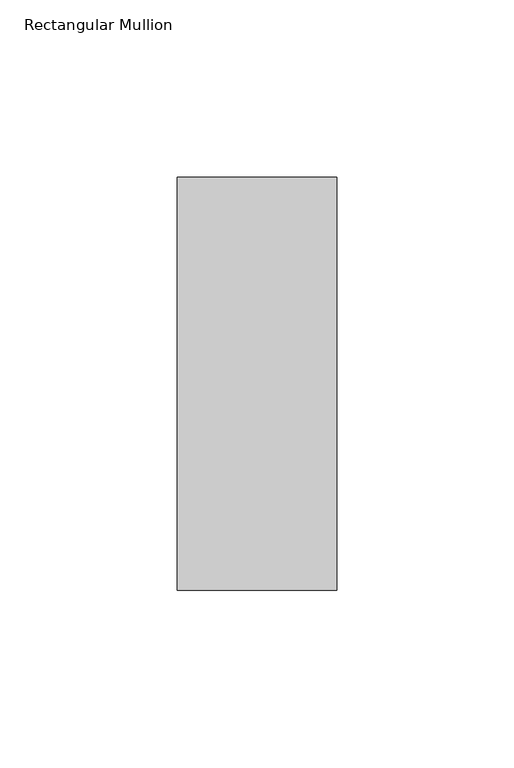
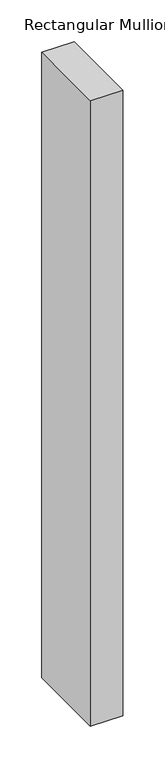
"""IFC4 building model written with IfcOpenShell, lengths in millimetres: member geometry, Rectangular Mullion."""

from ifc_helpers import new_model, si_unit, frame, origin, place, context, project, spatial, polyline, outline, extrude, source, transform, mapped, element, save


def rectangular_mullion_03e37738(model_context):
    return source(origin(), model_context, "Body", "SweptSolid", [
        extrude(outline(polyline([(-45.0453125, 73.875), (0.0, 73.875), (0.0, -42.8257813), (-45.0453125, -42.8257813), (-45.0453125, 73.875)])), frame((0.0, 0.0, -915.7171325), z_axis=(0.0, 0.0, 1.0), x_axis=(1.0, 0.0, 0.0)), (0.0, 0.0, 1.0), 915.7171325),
    ])


if __name__ == "__main__":
    model = new_model("IFC4")
    model_context = context("Model", 3, world=origin())
    ifc_project = project(units=[si_unit("LENGTHUNIT", "METRE", prefix="MILLI")], contexts=[model_context])
    site = spatial("IfcSite", under=ifc_project)
    building = spatial("IfcBuilding", under=site)
    placement = place(None, origin())
    rectangular_mullion_shape = rectangular_mullion_03e37738(model_context)
    element("IfcMember", 1, ObjectType="Rectangular Mullion", at=placement, inside=building, context=model_context, shape_type="MappedRepresentation", body=[
        mapped(rectangular_mullion_shape, transform((0.0, 0.0, 0.0), x_axis=(1.0, 0.0, 0.0), y_axis=(0.0, 1.0, 0.0), z_axis=(0.0, 0.0, 1.0))),
    ])
    save(model, "model.ifc")
